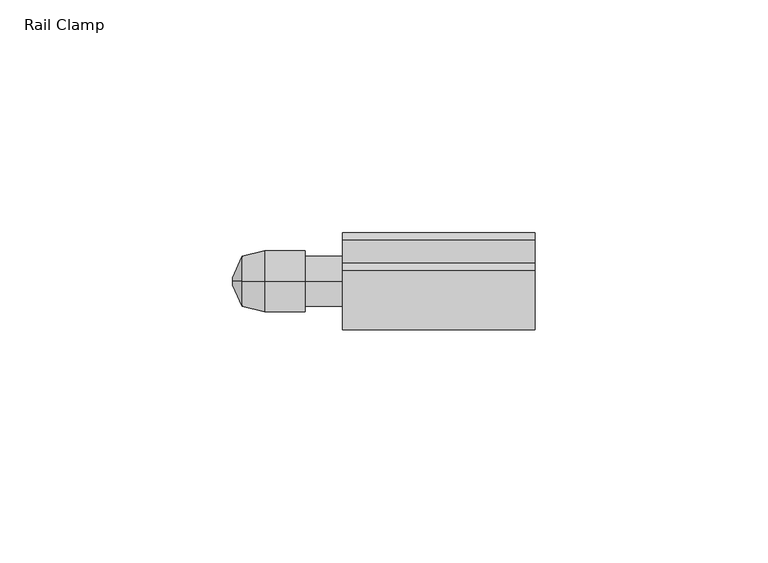
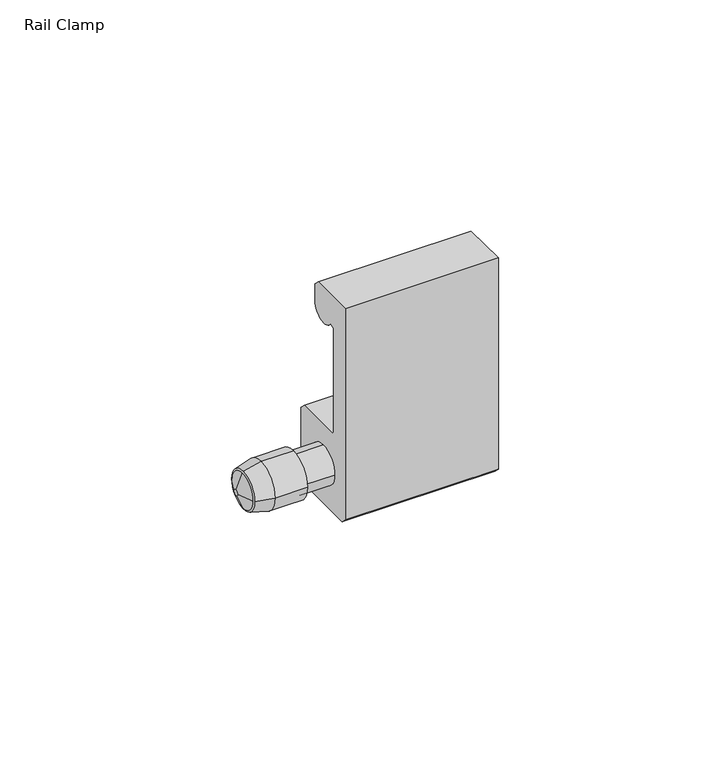
"""IFC4 building model written with IfcOpenShell, lengths in millimetres: furniture geometry, Rail Clamp."""

from ifc_helpers import new_model, si_unit, frame, origin, place, context, project, spatial, polyline, circle_curve, source, transform, mapped, element, save
from ifc_brep_helpers import plane_surface, cylinder_surface, revolved_surface, advanced_brep


def rail_clamp_703f707e(model_context):
    return source(origin(), model_context, "Body", "AdvancedBrep", [
        advanced_brep(
        [(-42.2627645, -46.5617724, 1360.4256635), (-42.2627645, -41.2023724, 1365.7850635), (-42.2627645, -35.8429724, 1360.4256635), (-42.2627645, -41.2023724, 1355.0662635), (-37.4502448, -47.7301724, 1360.4256635), (-37.4502448, -41.2023724, 1353.8978635), (-37.4502448, -34.6745724, 1360.4256635), (-37.4502448, -41.2023724, 1366.9534635)],
        [
            (0, 1, circle_curve(frame((-42.2627645, -41.2023724, 1360.4256635), z_axis=(-1.0, 0.0, 3.2626512704196214e-12), x_axis=(0.0, -1.0, 7.182660263663922e-12)), 5.3594)),
            (1, 2, circle_curve(frame((-42.2627645, -41.2023724, 1360.4256635), z_axis=(-1.0, -3.197609192291644e-12, 0.0), x_axis=(0.0, -7.421599566788822e-12, 1.0)), 5.3594)),
            (2, 3, circle_curve(frame((-42.2627645, -41.2023724, 1360.4256635), z_axis=(-1.0, 0.0, 1.687578243320494e-12), x_axis=(0.0, 1.0, 2.0852884636433977e-12)), 5.3594)),
            (3, 0, circle_curve(frame((-42.2627645, -41.2023724, 1360.4256635), z_axis=(-1.0, -1.650662469247858e-12, 0.0), x_axis=(0.0, -6.7627063369398265e-12, -1.0)), 5.3594)),
            (4, 5, circle_curve(frame((-37.4502448, -41.2023724, 1360.4256635), z_axis=(1.0, 1.650662469247858e-12, 0.0), x_axis=(0.0, -6.7627063369398265e-12, -1.0)), 6.5278)),
            (5, 6, circle_curve(frame((-37.4502448, -41.2023724, 1360.4256635), z_axis=(1.0, 0.0, -1.687578243320494e-12), x_axis=(0.0, 1.0, 2.0852884636433977e-12)), 6.5278)),
            (6, 7, circle_curve(frame((-37.4502448, -41.2023724, 1360.4256635), z_axis=(1.0, 3.197609192291644e-12, 0.0), x_axis=(0.0, -7.421599566788822e-12, 1.0)), 6.5278)),
            (7, 4, circle_curve(frame((-37.4502448, -41.2023724, 1360.4256635), z_axis=(1.0, 0.0, -3.2626512704196214e-12), x_axis=(0.0, -1.0, 7.182660263663922e-12)), 6.5278)),
            (4, 0),
            (3, 5),
            (2, 6),
            (1, 7),
        ],
        [
            plane_surface(frame((-42.2627645, -41.2023724, 1360.4256635), z_axis=(-1.0, 0.0, 0.0), x_axis=(0.0, 0.0, -1.0))),
            plane_surface(frame((-37.4502448, -41.2023724, 1360.4256635), z_axis=(1.0, 0.0, 0.0), x_axis=(0.0, 0.0, -1.0))),
            revolved_surface(polyline([(-42.26276450000885, -41.2023724, 1355.0662635097324), (-37.4502448, -41.2023724, 1353.8978635)]), (-64.3375829, -41.2023724, 1360.4256635), (1.0, 1.650662469247858e-12, 0.0)),
            revolved_surface(polyline([(-42.2627645, -35.84297240973024, 1360.4256635), (-37.45024479998899, -34.67457239999733, 1360.4256635)]), (-64.3375829, -41.2023724, 1360.4256635), (1.0, 0.0, -1.687578243320494e-12)),
            revolved_surface(polyline([(-42.2627645, -41.2023724, 1365.7850634902697), (-37.45024479997913, -41.2023724, 1366.953463500005)]), (-64.3375829, -41.2023724, 1360.4256635), (1.0, 3.197609192291644e-12, 0.0)),
            revolved_surface(polyline([(-42.26276450001749, -46.561772390265524, 1360.4256635), (-37.4502448, -47.7301724, 1360.4256635)]), (-64.3375829, -41.2023724, 1360.4256635), (1.0, 0.0, -3.2626512704196214e-12)),
        ],
        [
            (0, [[1, 2, 3, 4]]),
            (1, [[5, 6, 7, 8]]),
            (2, [[-5, 9, -4, 10]]),
            (3, [[-6, -10, -3, 11]]),
            (4, [[-7, -11, -2, 12]]),
            (5, [[-8, -12, -1, -9]]),
        ],
    ),
        advanced_brep(
        [(-20.6375, -30.8010724, 1350.7313582), (-20.6375, -32.3758712, 1349.15656), (-20.6375, -50.0288731, 1349.15656), (-20.6375, -51.6036724, 1350.7313582), (-20.6375, -51.6036724, 1411.00556), (-20.6375, -38.9100224, 1411.00556), (-20.6375, -37.3352224, 1409.4307595), (-20.6375, -37.3352224, 1404.6809601), (-20.6375, -44.603154, 1402.4959941), (-20.6375, -46.0474222, 1402.0618022), (-20.6375, -46.0474222, 1372.3273919), (-20.6375, -45.4521097, 1371.7320794), (-20.6375, -32.3758724, 1371.7320794), (-20.6375, -30.8010724, 1370.15728), (-20.6375, -46.5617724, 1360.4256635), (-20.6375, -41.2023724, 1355.0662635), (-20.6375, -35.8429724, 1360.4256635), (-20.6375, -41.2023724, 1365.7850635), (20.6375, -30.8010724, 1350.7313582), (20.6375, -30.8010724, 1370.15728), (20.6375, -32.3758724, 1371.7320794), (20.6375, -45.4521097, 1371.7320794), (20.6375, -46.0474222, 1372.3273919), (20.6375, -46.0474222, 1402.0618022), (20.6375, -44.603154, 1402.4959941), (20.6375, -37.3352224, 1404.6809601), (20.6375, -37.3352224, 1409.4307595), (20.6375, -38.9100224, 1411.00556), (20.6375, -51.6036724, 1411.00556), (20.6375, -51.6036724, 1350.7313582), (20.6375, -50.0288731, 1349.15656), (20.6375, -32.3758712, 1349.15656), (-28.6997615, -46.5617724, 1360.4256635), (-28.6997615, -41.2023724, 1355.0662635), (-28.6997615, -35.8429724, 1360.4256635), (-28.6997615, -41.2023724, 1365.7850635), (-28.6997615, -47.7301724, 1360.4256635), (-28.6997615, -41.2023724, 1353.8978635), (-28.6997615, -34.6745724, 1360.4256635), (-28.6997615, -41.2023724, 1366.9534635), (-37.4502448, -47.7301724, 1360.4256635), (-37.4502448, -41.2023724, 1366.9534635), (-37.4502448, -34.6745724, 1360.4256635), (-37.4502448, -41.2023724, 1353.8978635)],
        [
            (0, 1),
            (1, 2),
            (2, 3),
            (3, 4),
            (4, 5),
            (5, 6),
            (6, 7),
            (7, 8, circle_curve(frame((-20.6375, -41.2976225, 1404.6809601), z_axis=(-1.0, 0.0, 0.0), x_axis=(0.0, 1.0, 0.0)), 3.9624001)),
            (8, 9),
            (9, 10),
            (10, 11),
            (11, 12),
            (12, 13),
            (13, 0),
            (14, 15, circle_curve(frame((-20.6375, -41.2023724, 1360.4256635), z_axis=(1.0, 0.0, 0.0), x_axis=(0.0, 1.0, 0.0)), 5.3594)),
            (15, 16, circle_curve(frame((-20.6375, -41.2023724, 1360.4256635), z_axis=(1.0, 0.0, 0.0), x_axis=(0.0, 1.0, 0.0)), 5.3594)),
            (16, 17, circle_curve(frame((-20.6375, -41.2023724, 1360.4256635), z_axis=(1.0, 0.0, 0.0), x_axis=(0.0, 1.0, 0.0)), 5.3594)),
            (17, 14, circle_curve(frame((-20.6375, -41.2023724, 1360.4256635), z_axis=(1.0, 0.0, 0.0), x_axis=(0.0, 1.0, 0.0)), 5.3594)),
            (18, 19),
            (19, 20),
            (20, 21),
            (21, 22),
            (22, 23),
            (23, 24),
            (24, 25, circle_curve(frame((20.6375, -41.2976225, 1404.6809601), z_axis=(1.0, 0.0, 0.0), x_axis=(0.0, 1.0, 0.0)), 3.9624001)),
            (25, 26),
            (26, 27),
            (27, 28),
            (28, 29),
            (29, 30),
            (30, 31),
            (31, 18),
            (0, 18),
            (31, 1),
            (30, 2),
            (29, 3),
            (28, 4),
            (27, 5),
            (26, 6),
            (25, 7),
            (24, 8),
            (23, 9),
            (22, 10),
            (21, 11),
            (20, 12),
            (19, 13),
            (14, 32),
            (32, 33, circle_curve(frame((-28.6997615, -41.2023724, 1360.4256635), z_axis=(1.0, 0.0, 0.0), x_axis=(0.0, 1.0, 0.0)), 5.3594)),
            (33, 15),
            (33, 34, circle_curve(frame((-28.6997615, -41.2023724, 1360.4256635), z_axis=(1.0, 0.0, 0.0), x_axis=(0.0, 1.0, 0.0)), 5.3594)),
            (34, 16),
            (34, 35, circle_curve(frame((-28.6997615, -41.2023724, 1360.4256635), z_axis=(1.0, 0.0, 0.0), x_axis=(0.0, 1.0, 0.0)), 5.3594)),
            (35, 17),
            (35, 32, circle_curve(frame((-28.6997615, -41.2023724, 1360.4256635), z_axis=(1.0, 0.0, 0.0), x_axis=(0.0, 1.0, 0.0)), 5.3594)),
            (36, 37, circle_curve(frame((-28.6997615, -41.2023724, 1360.4256635), z_axis=(1.0, 0.0, 0.0), x_axis=(0.0, 1.0, 0.0)), 6.5278)),
            (37, 38, circle_curve(frame((-28.6997615, -41.2023724, 1360.4256635), z_axis=(1.0, 0.0, 0.0), x_axis=(0.0, 1.0, 0.0)), 6.5278)),
            (38, 39, circle_curve(frame((-28.6997615, -41.2023724, 1360.4256635), z_axis=(1.0, 0.0, 0.0), x_axis=(0.0, 1.0, 0.0)), 6.5278)),
            (39, 36, circle_curve(frame((-28.6997615, -41.2023724, 1360.4256635), z_axis=(1.0, 0.0, 0.0), x_axis=(0.0, 1.0, 0.0)), 6.5278)),
            (40, 41, circle_curve(frame((-37.4502448, -41.2023724, 1360.4256635), z_axis=(-1.0, 0.0, 0.0), x_axis=(0.0, 1.0, 0.0)), 6.5278)),
            (41, 42, circle_curve(frame((-37.4502448, -41.2023724, 1360.4256635), z_axis=(-1.0, 0.0, 0.0), x_axis=(0.0, 1.0, 0.0)), 6.5278)),
            (42, 43, circle_curve(frame((-37.4502448, -41.2023724, 1360.4256635), z_axis=(-1.0, 0.0, 0.0), x_axis=(0.0, 1.0, 0.0)), 6.5278)),
            (43, 40, circle_curve(frame((-37.4502448, -41.2023724, 1360.4256635), z_axis=(-1.0, 0.0, 0.0), x_axis=(0.0, 1.0, 0.0)), 6.5278)),
            (36, 40),
            (43, 37),
            (42, 38),
            (41, 39),
        ],
        [
            plane_surface(frame((-20.6375, -41.2023724, 1411.00556), z_axis=(-1.0, 0.0, 0.0), x_axis=(0.0, 0.0, 1.0))),
            plane_surface(frame((20.6375, -41.2023724, 1411.00556), z_axis=(1.0, 0.0, 0.0), x_axis=(0.0, 0.0, 1.0))),
            plane_surface(frame((-20.6375, -30.8010724, 1350.7313582), z_axis=(0.0, 0.7071066537262837, -0.7071069086467884), x_axis=(1.0, 0.0, 0.0))),
            plane_surface(frame((-20.6375, -32.3758712, 1349.15656), z_axis=(0.0, 0.0, -1.0), x_axis=(1.0, 0.0, 0.0))),
            plane_surface(frame((-20.6375, -50.0288731, 1349.15656), z_axis=(0.0, -0.7071065262660429, -0.7071070361069604), x_axis=(1.0, 0.0, 0.0))),
            plane_surface(frame((-20.6375, -51.6036724, 1350.7313582), z_axis=(0.0, -1.0, 0.0), x_axis=(1.0, 0.0, 0.0))),
            plane_surface(frame((-20.6375, -51.6036724, 1411.00556), z_axis=(0.0, 0.0, 1.0), x_axis=(1.0, 0.0, 0.0))),
            plane_surface(frame((-20.6375, -38.9100224, 1411.00556), z_axis=(0.0, 0.7071069046636025, 0.707106657709471), x_axis=(1.0, 0.0, 0.0))),
            plane_surface(frame((-20.6375, -37.3352224, 1409.4307595), z_axis=(0.0, 1.0, 0.0), x_axis=(1.0, 0.0, 0.0))),
            cylinder_surface(frame((-20.6375, -41.2976225, 1404.6809601), z_axis=(-1.0, 0.0, 0.0), x_axis=(0.0, 1.0, 0.0)), 3.9624001),
            plane_surface(frame((-20.6375, -44.603154, 1402.4959941), z_axis=(0.0, 0.2879022867565173, -0.9576597899464967), x_axis=(1.0, 0.0, 0.0))),
            plane_surface(frame((-20.6375, -46.0474222, 1402.0618022), z_axis=(0.0, 1.0, 0.0), x_axis=(1.0, 0.0, 0.0))),
            plane_surface(frame((-20.6375, -46.0474222, 1372.3273919), z_axis=(0.0, 0.7071067811865476, 0.7071067811865476), x_axis=(1.0, 0.0, 0.0))),
            plane_surface(frame((-20.6375, -45.4521097, 1371.7320794), z_axis=(0.0, 0.0, 1.0), x_axis=(1.0, 0.0, 0.0))),
            plane_surface(frame((-20.6375, -32.3758724, 1371.7320794), z_axis=(0.0, 0.7071066537262837, 0.7071069086467885), x_axis=(1.0, 0.0, 0.0))),
            plane_surface(frame((-20.6375, -30.8010724, 1370.15728), z_axis=(0.0, 1.0, 0.0), x_axis=(1.0, 0.0, 0.0))),
            cylinder_surface(frame((-28.6997615, -41.2023724, 1360.4256635), z_axis=(1.0, 0.0, 0.0), x_axis=(0.0, 1.0, 0.0)), 5.3594),
            plane_surface(frame((-28.6997615, -34.6745724, 1360.4256635), z_axis=(1.0, 0.0, 0.0), x_axis=(0.0, 0.0, 1.0))),
            plane_surface(frame((-37.4502448, -34.6745724, 1360.4256635), z_axis=(-1.0, 0.0, 0.0), x_axis=(0.0, 0.0, -1.0))),
            cylinder_surface(frame((-37.4502448, -41.2023724, 1360.4256635), z_axis=(1.0, 0.0, 0.0), x_axis=(0.0, 1.0, 0.0)), 6.5278),
        ],
        [
            (0, [[1, 2, 3, 4, 5, 6, 7, 8, 9, 10, 11, 12, 13, 14], [15, 16, 17, 18]]),
            (1, [[19, 20, 21, 22, 23, 24, 25, 26, 27, 28, 29, 30, 31, 32]]),
            (2, [[-1, 33, -32, 34]]),
            (3, [[-2, -34, -31, 35]]),
            (4, [[-3, -35, -30, 36]]),
            (5, [[-4, -36, -29, 37]]),
            (6, [[-5, -37, -28, 38]]),
            (7, [[-6, -38, -27, 39]]),
            (8, [[-7, -39, -26, 40]]),
            (9, [[-8, -40, -25, 41]]),
            (10, [[-9, -41, -24, 42]]),
            (11, [[-10, -42, -23, 43]]),
            (12, [[-11, -43, -22, 44]]),
            (13, [[-12, -44, -21, 45]]),
            (14, [[-13, -45, -20, 46]]),
            (15, [[-14, -46, -19, -33]]),
            (16, [[47, 48, 49, -15]]),
            (16, [[-49, 50, 51, -16]]),
            (16, [[-51, 52, 53, -17]]),
            (16, [[-47, -18, -53, 54]]),
            (17, [[55, 56, 57, 58], [-48, -54, -52, -50]]),
            (18, [[59, 60, 61, 62]]),
            (19, [[-55, 63, -62, 64]]),
            (19, [[-56, -64, -61, 65]]),
            (19, [[-57, -65, -60, 66]]),
            (19, [[-58, -66, -59, -63]]),
        ],
    ),
        advanced_brep(
        [(-44.2561748, -41.9961224, 1360.4256635), (-44.2561748, -41.2023724, 1361.2194135), (-44.2561748, -40.4086224, 1360.4256635), (-44.2561748, -41.2023724, 1359.6319135), (-42.2627645, -46.5617724, 1360.4256635), (-42.2627645, -41.2023724, 1355.0662635), (-42.2627645, -35.8429724, 1360.4256635), (-42.2627645, -41.2023724, 1365.7850635)],
        [
            (0, 1, circle_curve(frame((-44.2561748, -41.2023724, 1360.4256635), z_axis=(-1.0, 0.0, 0.0), x_axis=(0.0, -1.0, 0.0)), 0.79375)),
            (1, 2, circle_curve(frame((-44.2561748, -41.2023724, 1360.4256635), z_axis=(-1.0, 0.0, 0.0), x_axis=(0.0, 0.0, 1.0)), 0.79375)),
            (2, 3, circle_curve(frame((-44.2561748, -41.2023724, 1360.4256635), z_axis=(-1.0, 0.0, 4.209981380639452e-12), x_axis=(0.0, 1.0, 0.0)), 0.79375)),
            (3, 0, circle_curve(frame((-44.2561748, -41.2023724, 1360.4256635), z_axis=(-1.0, -4.2142253134828384e-12, 0.0), x_axis=(0.0, -1.8325628450984925e-12, -1.0)), 0.79375)),
            (4, 5, circle_curve(frame((-42.2627645, -41.2023724, 1360.4256635), z_axis=(1.0, 4.2142253134828384e-12, 0.0), x_axis=(0.0, -1.8325628450984925e-12, -1.0)), 5.3594)),
            (5, 6, circle_curve(frame((-42.2627645, -41.2023724, 1360.4256635), z_axis=(1.0, 0.0, -4.209981380639452e-12), x_axis=(0.0, 1.0, 0.0)), 5.3594)),
            (6, 7, circle_curve(frame((-42.2627645, -41.2023724, 1360.4256635), z_axis=(1.0, 0.0, 0.0), x_axis=(0.0, 0.0, 1.0)), 5.3594)),
            (7, 4, circle_curve(frame((-42.2627645, -41.2023724, 1360.4256635), z_axis=(1.0, 0.0, 0.0), x_axis=(0.0, -1.0, 0.0)), 5.3594)),
            (0, 4),
            (7, 1),
            (6, 2),
            (5, 3),
        ],
        [
            plane_surface(frame((-44.2561748, -41.2023724, 1360.4256635), z_axis=(-1.0, 0.0, 0.0), x_axis=(0.0, -1.0, 0.0))),
            plane_surface(frame((-42.2627645, -41.2023724, 1360.4256635), z_axis=(1.0, 0.0, 0.0), x_axis=(0.0, -1.0, 0.0))),
            revolved_surface(polyline([(-44.2561748, -41.99612238100404, 1360.4256635), (-42.2627645, -46.5617724, 1360.4256635)]), (-44.6027343, -41.2023724, 1360.4256635), (1.0, 0.0, 0.0)),
            revolved_surface(polyline([(-44.2561748, -41.2023724, 1361.219413481004), (-42.2627645, -41.2023724, 1365.7850635)]), (-44.6027343, -41.2023724, 1360.4256635), (1.0, 0.0, 0.0)),
            revolved_surface(polyline([(-44.2561748, -40.40862241899596, 1360.4256635), (-42.26276449997744, -35.84297239994832, 1360.4256635)]), (-44.6027343, -41.2023724, 1360.4256635), (1.0, 0.0, -4.209981380639452e-12)),
            revolved_surface(polyline([(-44.25617480000334, -41.2023724, 1359.6319135190035), (-42.2627645, -41.2023724, 1355.0662635)]), (-44.6027343, -41.2023724, 1360.4256635), (1.0, 4.2142253134828384e-12, 0.0)),
        ],
        [
            (0, [[1, 2, 3, 4]]),
            (1, [[5, 6, 7, 8]]),
            (2, [[-1, 9, -8, 10]]),
            (3, [[-2, -10, -7, 11]]),
            (4, [[-3, -11, -6, 12]]),
            (5, [[-4, -12, -5, -9]]),
        ],
    ),
    ])


if __name__ == "__main__":
    model = new_model("IFC4")
    model_context = context("Model", 3, world=origin())
    ifc_project = project(units=[si_unit("LENGTHUNIT", "METRE", prefix="MILLI")], contexts=[model_context])
    site = spatial("IfcSite", under=ifc_project)
    building = spatial("IfcBuilding", under=site)
    placement = place(None, origin())
    rail_clamp_shape = rail_clamp_703f707e(model_context)
    element("IfcFurniture", 1, ObjectType="Rail Clamp", at=placement, inside=building, context=model_context, shape_type="MappedRepresentation", body=[
        mapped(rail_clamp_shape, transform((0.0, 0.0, 0.0), x_axis=(1.0, 0.0, 0.0), y_axis=(0.0, 1.0, 0.0), z_axis=(0.0, 0.0, 1.0))),
    ])
    save(model, "model.ifc")
